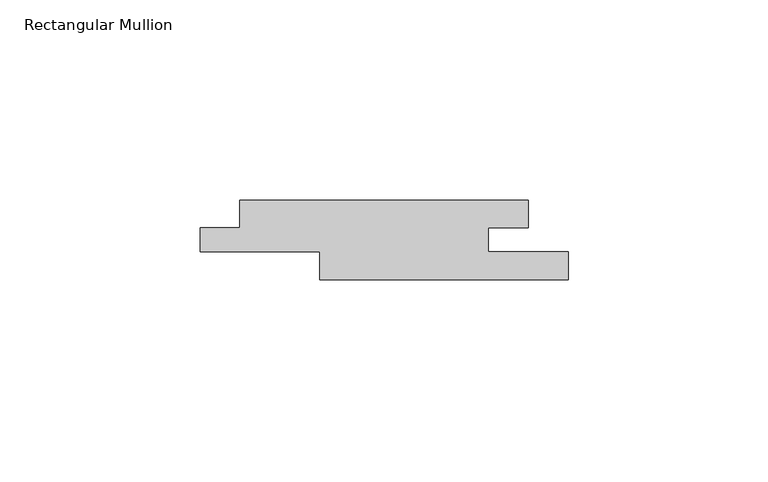
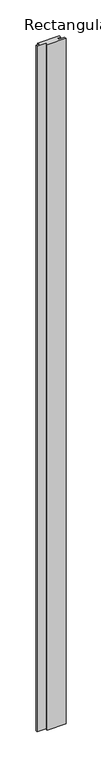
"""IFC4 building model written with IfcOpenShell, lengths in millimetres: member geometry, Rectangular Mullion."""

from ifc_helpers import new_model, si_unit, frame, origin, place, context, project, spatial, polyline, outline, extrude, source, transform, mapped, element, save


def rectangular_mullion_4c8aa51d(model_context):
    return source(origin(), model_context, "Body", "SweptSolid", [
        extrude(outline(polyline([(-92.0, -7.0), (-82.0378982, -7.0), (-82.0378982, 0.0), (-10.0, 0.0), (-10.0, -7.0), (-20.0, -7.0), (-20.0, -13.0), (0.0, -13.0), (0.0, -20.0), (-62.0378982, -20.0), (-62.0378982, -13.0), (-92.0, -13.0), (-92.0, -7.0)])), frame((0.0, 0.0, -2400.0), z_axis=(0.0, 0.0, 1.0), x_axis=(1.0, 0.0, 0.0)), (0.0, 0.0, 1.0), 2400.0),
    ])


if __name__ == "__main__":
    model = new_model("IFC4")
    model_context = context("Model", 3, world=origin())
    ifc_project = project(units=[si_unit("LENGTHUNIT", "METRE", prefix="MILLI")], contexts=[model_context])
    site = spatial("IfcSite", under=ifc_project)
    building = spatial("IfcBuilding", under=site)
    placement = place(None, origin())
    rectangular_mullion_shape = rectangular_mullion_4c8aa51d(model_context)
    element("IfcMember", 1, ObjectType="Rectangular Mullion", at=placement, inside=building, context=model_context, shape_type="MappedRepresentation", body=[
        mapped(rectangular_mullion_shape, transform((0.0, 0.0, 0.0), x_axis=(1.0, 0.0, 0.0), y_axis=(0.0, 1.0, 0.0), z_axis=(0.0, 0.0, 1.0))),
    ])
    save(model, "model.ifc")
